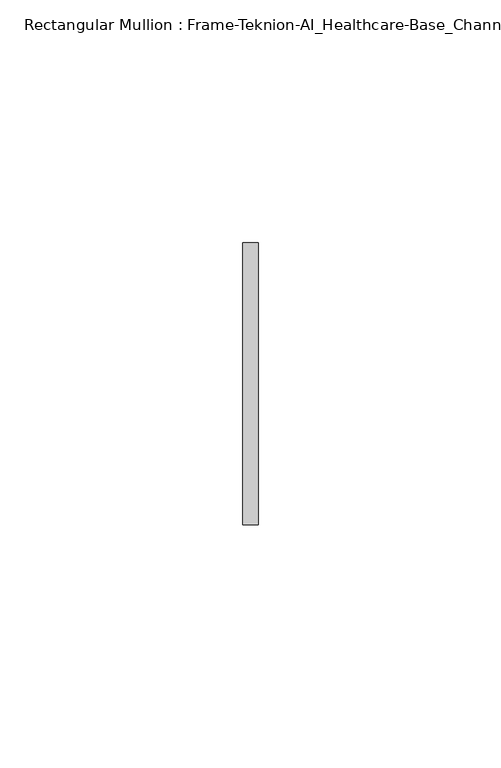
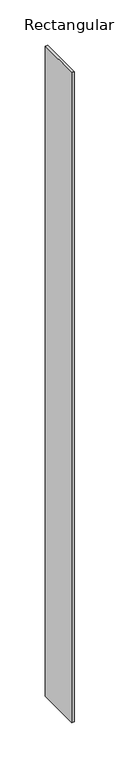
"""IFC4 building model written with IfcOpenShell, lengths in millimetres: member geometry, Rectangular Mullion : Frame-Teknion-AI_Healthcare-Base_Channel."""

from ifc_helpers import new_model, si_unit, frame, origin, place, context, project, spatial, polyline, outline, extrude, source, transform, mapped, element, save


def rectangular_mullion_frame_teknion_ai_healthcare_base_channel_403fd029(model_context):
    return source(origin(), model_context, "Body", "SweptSolid", [
        extrude(outline(polyline([(0.0, 29.0214844), (0.0, -29.0214844), (-3.175, -29.0214844), (-3.175, 29.0214844), (0.0, 29.0214844)])), frame((0.0, 0.0, -873.7979397), z_axis=(0.0, 0.0, 1.0), x_axis=(1.0, 0.0, 0.0)), (0.0, 0.0, 1.0), 873.7979397),
    ])


if __name__ == "__main__":
    model = new_model("IFC4")
    model_context = context("Model", 3, world=origin())
    ifc_project = project(units=[si_unit("LENGTHUNIT", "METRE", prefix="MILLI")], contexts=[model_context])
    site = spatial("IfcSite", under=ifc_project)
    building = spatial("IfcBuilding", under=site)
    placement = place(None, origin())
    rectangular_mullion_frame_teknion_ai_healthcare_base_channel_shape = rectangular_mullion_frame_teknion_ai_healthcare_base_channel_403fd029(model_context)
    element("IfcMember", 1, ObjectType="Rectangular Mullion : Frame-Teknion-AI_Healthcare-Base_Channel", at=placement, inside=building, context=model_context, shape_type="MappedRepresentation", body=[
        mapped(rectangular_mullion_frame_teknion_ai_healthcare_base_channel_shape, transform((0.0, 0.0, 0.0), x_axis=(1.0, 0.0, 0.0), y_axis=(0.0, 1.0, 0.0), z_axis=(0.0, 0.0, 1.0))),
    ])
    save(model, "model.ifc")
